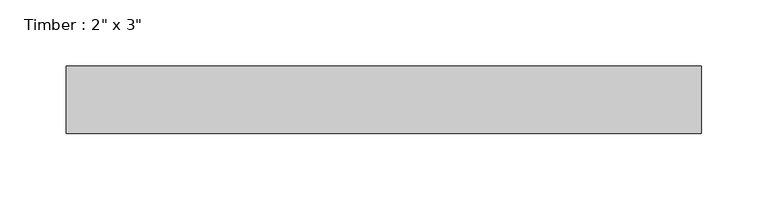
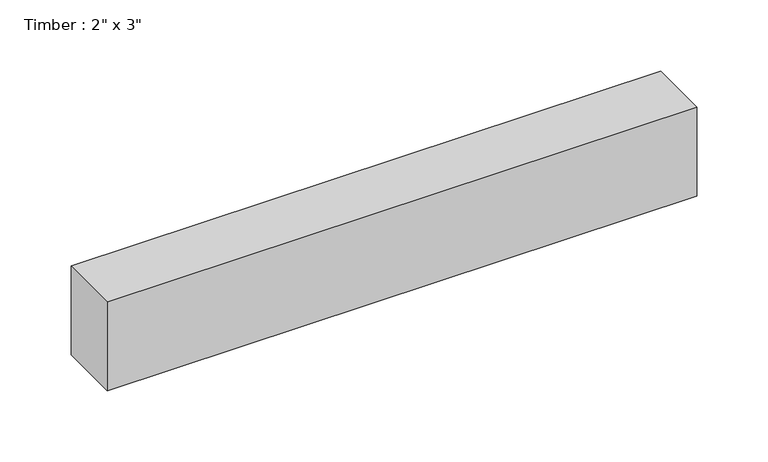
"""IFC4 building model written with IfcOpenShell, lengths in millimetres: beam geometry."""

from ifc_helpers import new_model, si_unit, frame, origin, place, context, project, spatial, polyline, outline, extrude, source, transform, mapped, element, save


def beam_f2464b3a(model_context):
    return source(origin(), model_context, "Body", "SweptSolid", [
        extrude(outline(polyline([(238.9885591, -25.4), (-238.9885591, -25.4), (-238.9885591, 25.4), (238.9885591, 25.4), (238.9885591, -25.4)])), frame((0.0, 0.0, -38.1), z_axis=(0.0, 0.0, 1.0), x_axis=(1.0, 0.0, 0.0)), (0.0, 0.0, 1.0), 76.2),
    ])


if __name__ == "__main__":
    model = new_model("IFC4")
    model_context = context("Model", 3, world=origin())
    ifc_project = project(units=[si_unit("LENGTHUNIT", "METRE", prefix="MILLI")], contexts=[model_context])
    site = spatial("IfcSite", under=ifc_project)
    building = spatial("IfcBuilding", under=site)
    placement = place(None, origin())
    beam_shape = beam_f2464b3a(model_context)
    element("IfcBeam", 1, ObjectType="Timber : 2\" x 3\"", at=placement, inside=building, context=model_context, shape_type="MappedRepresentation", body=[
        mapped(beam_shape, transform((0.0, 0.0, 0.0), x_axis=(1.0, 0.0, 0.0), y_axis=(0.0, 1.0, 0.0), z_axis=(0.0, 0.0, 1.0))),
    ])
    save(model, "model.ifc")
